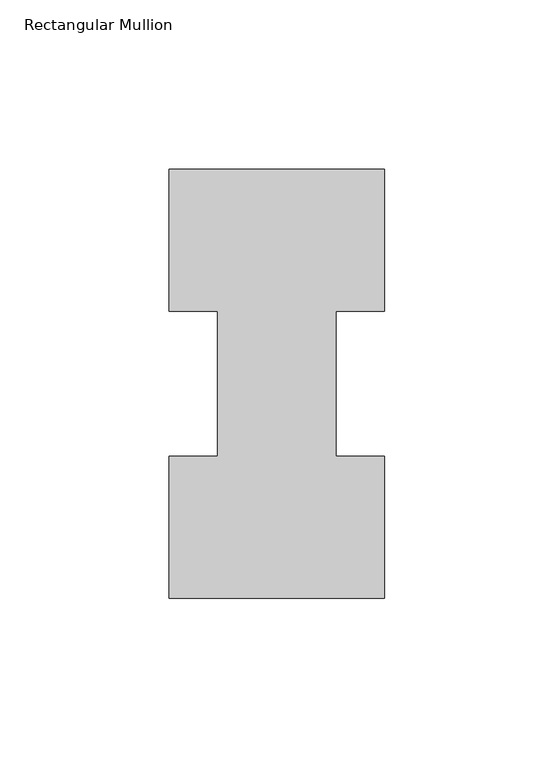
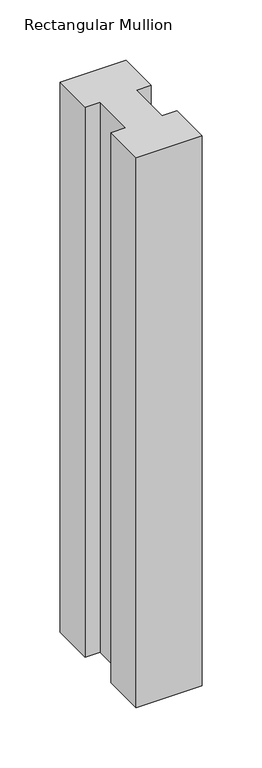
"""IFC4 building model written with IfcOpenShell, lengths in millimetres: member geometry, Rectangular Mullion."""

from ifc_helpers import new_model, si_unit, frame, origin, place, context, project, spatial, polyline, outline, extrude, source, transform, mapped, element, save


def rectangular_mullion_a75daeb6(model_context):
    return source(origin(), model_context, "Body", "SweptSolid", [
        extrude(outline(polyline([(-63.5, 0.2967757), (-63.5, 42.1178757), (-49.2125, 42.1178757), (-49.2125, 84.93125), (-63.5, 84.93125), (-63.5, 126.7887757), (0.0, 126.7887757), (0.0, 84.93125), (-14.2748, 84.93125), (-14.2748, 42.1178757), (0.0, 42.1178757), (0.0, 0.2967757), (-63.5, 0.2967757)])), frame((0.0, 0.0, -558.8063827), z_axis=(0.0, 0.0, 1.0), x_axis=(1.0, 0.0, 0.0)), (0.0, 0.0, 1.0), 558.8063827),
    ])


if __name__ == "__main__":
    model = new_model("IFC4")
    model_context = context("Model", 3, world=origin())
    ifc_project = project(units=[si_unit("LENGTHUNIT", "METRE", prefix="MILLI")], contexts=[model_context])
    site = spatial("IfcSite", under=ifc_project)
    building = spatial("IfcBuilding", under=site)
    placement = place(None, origin())
    rectangular_mullion_shape = rectangular_mullion_a75daeb6(model_context)
    element("IfcMember", 1, ObjectType="Rectangular Mullion", at=placement, inside=building, context=model_context, shape_type="MappedRepresentation", body=[
        mapped(rectangular_mullion_shape, transform((0.0, 0.0, 0.0), x_axis=(1.0, 0.0, 0.0), y_axis=(0.0, 1.0, 0.0), z_axis=(0.0, 0.0, 1.0))),
    ])
    save(model, "model.ifc")
